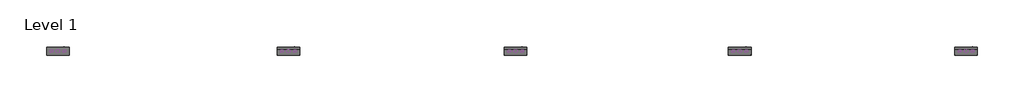
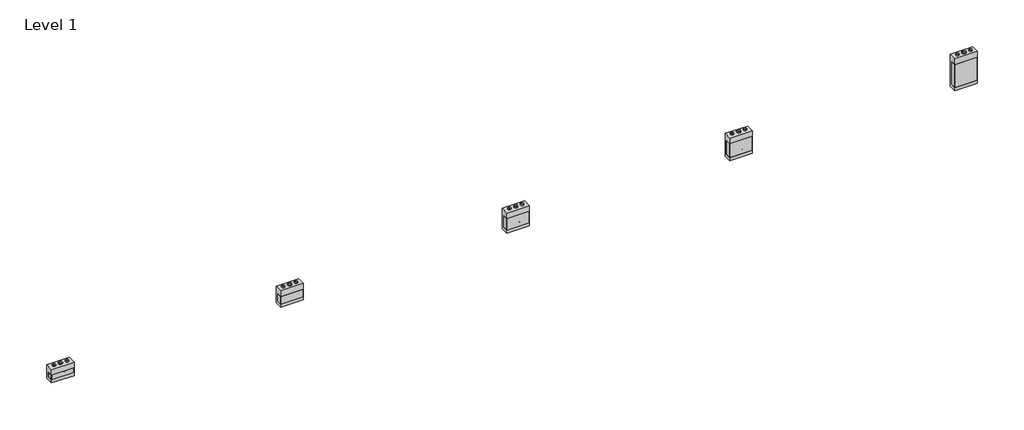
# One storey: 20 proxies.
"""IFC4 building model written with IfcOpenShell, lengths in millimetres."""

import ifcopenshell
import ifcopenshell.guid

model = None  # the IFC model being written
_history = None  # IfcOwnerHistory: only IFC2X3 demands one
_inside = {}  # id of a spatial element -> (the spatial element, [elements in it])
_under = {}  # id of a project, library or spatial element -> (it, [spatial elements below it])
_declared = {}  # id of a project -> (the project, [libraries it declares])
_typed = {}  # id of a type object -> (the type object, [elements of that type])
_made_of = {}  # id of a material, layer set ... -> (it, [elements and type objects made of it])


def new_model(schema):
    """Start an empty IFC model of exactly this schema.

    Asked for "IFC4X3", IfcOpenShell would pick the latest addendum, in which some entities
    have other attributes; the version numbers below select the first issue.
    IFC2X3 requires an IfcOwnerHistory on every rooted entity: one is made here for all.
    """
    global model, _history
    if schema == "IFC4X3":
        model = ifcopenshell.file(schema_version=(4, 3, 0, 0))
    else:
        model = ifcopenshell.file(schema=schema)
    _inside.clear()
    _under.clear()
    _declared.clear()
    _typed.clear()
    _made_of.clear()
    _history = None
    if model.schema == "IFC2X3":
        org = make("IfcOrganization", Name="unknown")
        user = make(
            "IfcPersonAndOrganization",
            ThePerson=make("IfcPerson", FamilyName="unknown"),
            TheOrganization=org,
        )
        app = make(
            "IfcApplication",
            ApplicationDeveloper=org,
            Version="unknown",
            ApplicationFullName="unknown",
            ApplicationIdentifier="unknown",
        )
        _history = make(
            "IfcOwnerHistory",
            OwningUser=user,
            OwningApplication=app,
            ChangeAction="ADDED",
            CreationDate=0,
        )
    return model


def make(cls, **values):
    """One entity of the class cls with the attributes given. An attribute that is None is left unset."""
    return model.create_entity(
        cls, **{name: value for name, value in values.items() if value is not None}
    )


def rooted(cls, **values):
    """An entity with a GlobalId (a new one), such as an element, a storey or a relation."""
    return make(cls, GlobalId=ifcopenshell.guid.new(), OwnerHistory=_history, **values)


def si_unit(unit_type, name, prefix=None):
    """IfcSIUnit, for example si_unit("LENGTHUNIT", "METRE", prefix="MILLI")."""
    return make("IfcSIUnit", UnitType=unit_type, Prefix=prefix, Name=name)


def assignment(units):
    """IfcUnitAssignment: the units of a project."""
    return None if units is None else make("IfcUnitAssignment", Units=units)


def point(xyz):
    """IfcCartesianPoint."""
    return None if xyz is None else make("IfcCartesianPoint", Coordinates=xyz)


def direction(xyz):
    """IfcDirection."""
    return None if xyz is None else make("IfcDirection", DirectionRatios=xyz)


def frame(location, z_axis=None, x_axis=None):
    """IfcAxis2Placement3D, a coordinate frame: its origin and axes. An axis left out is left unset."""
    return make(
        "IfcAxis2Placement3D",
        Location=point(location),
        Axis=direction(z_axis),
        RefDirection=direction(x_axis),
    )


def frame_2d(location, x_axis=None):
    """IfcAxis2Placement2D, a coordinate frame in the plane: its origin and x axis."""
    return make(
        "IfcAxis2Placement2D", Location=point(location), RefDirection=direction(x_axis)
    )


def origin():
    """The frame at (0, 0, 0) with its axes left unset."""
    return frame((0.0, 0.0, 0.0))


def origin_with_axes():
    """The frame at (0, 0, 0) with the z axis (0, 0, 1) and the x axis (1, 0, 0) written out."""
    return frame((0.0, 0.0, 0.0), z_axis=(0.0, 0.0, 1.0), x_axis=(1.0, 0.0, 0.0))


def origin_2d():
    """The frame at (0, 0) in the plane with its x axis left unset."""
    return frame_2d((0.0, 0.0))


def place(relative_to, where):
    """IfcLocalPlacement: puts the frame where relative to a parent placement (None: the world)."""
    return make(
        "IfcLocalPlacement", PlacementRelTo=relative_to, RelativePlacement=where
    )


def context(
    kind, dimensions, precision=None, world=None, true_north=None, identifier=None
):
    """IfcGeometricRepresentationContext, for example the 3D "Model" context."""
    return make(
        "IfcGeometricRepresentationContext",
        ContextIdentifier=identifier,
        ContextType=kind,
        CoordinateSpaceDimension=dimensions,
        Precision=precision,
        WorldCoordinateSystem=world,
        TrueNorth=true_north,
    )


def project(units=None, contexts=None):
    """IfcProject with its units and contexts."""
    return rooted(
        "IfcProject",
        Name="project",
        RepresentationContexts=contexts,
        UnitsInContext=assignment(units),
    )


def spatial(cls, under=None, at=None, **own):
    """A site, building, storey or space (cls), placed at a placement, below another one or the project."""
    s = rooted(cls, ObjectPlacement=at, **own)
    if under is not None:
        _under.setdefault(under.id(), (under, []))[1].append(s)
    return s


def polyline(points):
    """IfcPolyline through the points."""
    return make("IfcPolyline", Points=[point(p) for p in points])


def circle_curve(where, radius):
    """IfcCircle in the frame where."""
    return make("IfcCircle", Position=where, Radius=radius)


def trimmed(basis, trim1, trim2, sense, master):
    """IfcTrimmedCurve: the piece of a basis curve between two trims."""
    return make(
        "IfcTrimmedCurve",
        BasisCurve=basis,
        Trim1=trim1,
        Trim2=trim2,
        SenseAgreement=sense,
        MasterRepresentation=master,
    )


def segment(curve, same_sense, transition):
    """IfcCompositeCurveSegment."""
    return make(
        "IfcCompositeCurveSegment",
        Transition=transition,
        SameSense=same_sense,
        ParentCurve=curve,
    )


def composite_curve(segments, self_intersect=None):
    """IfcCompositeCurve: segments joined end to end."""
    return make("IfcCompositeCurve", Segments=segments, SelfIntersect=self_intersect)


def outline(outer, holes=None, kind="AREA"):
    """IfcArbitraryClosedProfileDef: a profile drawn as a closed curve; with holes, ...WithVoids."""
    if holes is None:
        return make("IfcArbitraryClosedProfileDef", ProfileType=kind, OuterCurve=outer)
    return make(
        "IfcArbitraryProfileDefWithVoids",
        ProfileType=kind,
        OuterCurve=outer,
        InnerCurves=holes,
    )


def extrude(swept, where, along, depth):
    """IfcExtrudedAreaSolid: the profile swept, set in the frame where, extruded along a direction by depth."""
    return make(
        "IfcExtrudedAreaSolid",
        SweptArea=swept,
        Position=where,
        ExtrudedDirection=direction(along),
        Depth=depth,
    )


def shape(context_of_items, identifier, shape_type, items):
    """IfcShapeRepresentation: the items that make up one representation, for example the "Body"."""
    return make(
        "IfcShapeRepresentation",
        ContextOfItems=context_of_items,
        RepresentationIdentifier=identifier,
        RepresentationType=shape_type,
        Items=items,
    )


def source(mapping_origin, context_of_items, identifier, shape_type, items):
    """IfcRepresentationMap: a shape defined once, which mapped items show again and again."""
    return make(
        "IfcRepresentationMap",
        MappingOrigin=mapping_origin,
        MappedRepresentation=shape(context_of_items, identifier, shape_type, items),
    )


def transform(
    local_origin,
    x_axis=None,
    y_axis=None,
    z_axis=None,
    scale=None,
    scale2=None,
    scale3=None,
    uniform=True,
):
    """IfcCartesianTransformationOperator3D, or its non-uniform kind. x_axis, y_axis, z_axis: its Axis1, 2, 3."""
    if uniform:
        return make(
            "IfcCartesianTransformationOperator3D",
            Axis1=direction(x_axis),
            Axis2=direction(y_axis),
            LocalOrigin=point(local_origin),
            Scale=scale,
            Axis3=direction(z_axis),
        )
    return make(
        "IfcCartesianTransformationOperator3DnonUniform",
        Axis1=direction(x_axis),
        Axis2=direction(y_axis),
        LocalOrigin=point(local_origin),
        Scale=scale,
        Axis3=direction(z_axis),
        Scale2=scale2,
        Scale3=scale3,
    )


def mapped(mapping_source, mapping_target):
    """IfcMappedItem: shows the shape of a source again, moved by a transform."""
    return make(
        "IfcMappedItem", MappingSource=mapping_source, MappingTarget=mapping_target
    )


def made_of(thing, what):
    """Note that an element or type object is made of a material, layer set ...; save() writes the relation."""
    if what is not None:
        _made_of.setdefault(what.id(), (what, []))[1].append(thing)
    return thing


def element(
    cls,
    number,
    at=None,
    inside=None,
    cuts=None,
    type_object=None,
    material=None,
    context=None,
    identifier="Body",
    shape_type=None,
    held_by="IfcProductDefinitionShape",
    body=None,
    shapes=None,
    **own,
):
    """One element of the class cls, such as IfcWall. Its Tag is "e" and its number.

    at: its placement. inside: the storey or other place that contains it. cuts: it is an
    opening in that element (IfcRelVoidsElement). A single representation is given by context,
    identifier, shape_type and body (its items); several are given by shapes. held_by: the class
    of the entity that holds the representations. save() writes the other relations.
    """
    e = rooted(cls, Tag="e%d" % number, ObjectPlacement=at, **own)
    if body is not None:
        shapes = [shape(context, identifier, shape_type, body)]
    if shapes is not None:
        e.Representation = make(held_by, Representations=shapes)
    if inside is not None:
        _inside.setdefault(inside.id(), (inside, []))[1].append(e)
    if cuts is not None:
        rooted(
            "IfcRelVoidsElement", RelatingBuildingElement=cuts, RelatedOpeningElement=e
        )
    if type_object is not None:
        _typed.setdefault(type_object.id(), (type_object, []))[1].append(e)
    return made_of(e, material)


def aggregate(whole, parts):
    """IfcRelAggregates: a whole, such as a stair, and the parts it consists of."""
    return rooted("IfcRelAggregates", RelatingObject=whole, RelatedObjects=parts)


def save(model, path):
    """Write the relations noted so far, then the file.

    IfcRelAggregates (storeys below a building ...), IfcRelContainedInSpatialStructure (elements
    in a storey), IfcRelDefinesByType, IfcRelAssociatesMaterial and IfcRelDeclares: one each for
    every whole, place, type object, material and project.
    """
    for whole, parts in _under.values():
        aggregate(whole, parts)
    for where, things in _inside.values():
        rooted(
            "IfcRelContainedInSpatialStructure",
            RelatedElements=things,
            RelatingStructure=where,
        )
    for kind, things in _typed.values():
        rooted("IfcRelDefinesByType", RelatedObjects=things, RelatingType=kind)
    for what, things in _made_of.values():
        rooted("IfcRelAssociatesMaterial", RelatedObjects=things, RelatingMaterial=what)
    for by, libraries in _declared.values():
        rooted("IfcRelDeclares", RelatingContext=by, RelatedDefinitions=libraries)
    model.write(path)


def as_specified_40736e9b(model_context):
    return source(origin(), model_context, "Body", "SweptSolid", [
        extrude(outline(composite_curve([segment(trimmed(circle_curve(frame_2d((389.6125, -499.275)), 10.5), [point((389.6125, -509.775))], [point((389.6125, -488.775))], False, "CARTESIAN"), True, "CONTINUOUS"), segment(trimmed(circle_curve(frame_2d((389.6125, -499.275)), 10.5), [point((389.6125, -488.775))], [point((389.6125, -509.775))], False, "CARTESIAN"), True, "CONTINUOUS")], self_intersect=False)), frame((0.0, 0.0, -562.225), z_axis=(0.0, 0.0, 1.0), x_axis=(1.0, 0.0, 0.0)), (0.0, 0.0, 1.0), 32.0),
        extrude(outline(polyline([(-704.05625, -342.9), (-709.6125, -342.9), (-709.6125, 165.1), (-704.05625, 165.1), (-704.05625, -342.9)])), frame((0.0, 0.0, -39.6875), z_axis=(0.0, 0.0, 1.0), x_axis=(1.0, 0.0, 0.0)), (0.0, 0.0, 1.0), 14.2875),
        extrude(outline(polyline([(705.64375, 165.1), (709.6125, 165.1), (709.6125, -342.9), (705.64375, -342.9), (705.64375, 165.1)])), frame((0.0, 0.0, -39.6875), z_axis=(0.0, 0.0, 1.0), x_axis=(1.0, 0.0, 0.0)), (0.0, 0.0, 1.0), 14.2875),
        extrude(outline(polyline([(709.6125, 165.1), (709.6125, -342.9), (-709.6125, -342.9), (-709.6125, 165.1), (709.6125, 165.1)])), frame((0.0, 0.0, -373.0625), z_axis=(0.0, 0.0, 1.0), x_axis=(1.0, 0.0, 0.0)), (0.0, 0.0, 1.0), 347.6625),
        extrude(outline(polyline([(549.275, -25.4), (549.275, -530.225), (-549.275, -530.225), (-549.275, -25.4), (-342.9, -25.4), (-342.9, -373.0625), (165.1, -373.0625), (165.1, -25.4), (549.275, -25.4)])), frame((-709.6125, 0.0, 0.0), z_axis=(1.0, 0.0, 0.0), x_axis=(0.0, 1.0, 0.0)), (0.0, 0.0, 1.0), 1419.225),
    ])


def as_specified_13a3d44e(model_context):
    return source(origin(), model_context, "Body", "SweptSolid", [
        extrude(outline(composite_curve([segment(trimmed(circle_curve(frame_2d((389.6125, -626.275)), 10.5), [point((389.6125, -636.775))], [point((389.6125, -615.775))], False, "CARTESIAN"), True, "CONTINUOUS"), segment(trimmed(circle_curve(frame_2d((389.6125, -626.275)), 10.5), [point((389.6125, -615.775))], [point((389.6125, -636.775))], False, "CARTESIAN"), True, "CONTINUOUS")], self_intersect=False)), frame((0.0, 0.0, -562.225), z_axis=(0.0, 0.0, 1.0), x_axis=(1.0, 0.0, 0.0)), (0.0, 0.0, 1.0), 32.0),
        extrude(outline(polyline([(-704.05625, -469.9), (-709.6125, -469.9), (-709.6125, 292.1), (-704.05625, 292.1), (-704.05625, -469.9)])), frame((0.0, 0.0, -39.6875), z_axis=(0.0, 0.0, 1.0), x_axis=(1.0, 0.0, 0.0)), (0.0, 0.0, 1.0), 14.2875),
        extrude(outline(polyline([(705.64375, 292.1), (709.6125, 292.1), (709.6125, -469.9), (705.64375, -469.9), (705.64375, 292.1)])), frame((0.0, 0.0, -39.6875), z_axis=(0.0, 0.0, 1.0), x_axis=(1.0, 0.0, 0.0)), (0.0, 0.0, 1.0), 14.2875),
        extrude(outline(polyline([(709.6125, 292.1), (709.6125, -469.9), (-709.6125, -469.9), (-709.6125, 292.1), (709.6125, 292.1)])), frame((0.0, 0.0, -373.0625), z_axis=(0.0, 0.0, 1.0), x_axis=(1.0, 0.0, 0.0)), (0.0, 0.0, 1.0), 347.6625),
        extrude(outline(polyline([(676.275, -25.4), (676.275, -530.225), (-676.275, -530.225), (-676.275, -25.4), (-469.9, -25.4), (-469.9, -373.0625), (292.1, -373.0625), (292.1, -25.4), (676.275, -25.4)])), frame((-709.6125, 0.0, 0.0), z_axis=(1.0, 0.0, 0.0), x_axis=(0.0, 1.0, 0.0)), (0.0, 0.0, 1.0), 1419.225),
    ])


def as_specified_48223bcf(model_context):
    return source(origin(), model_context, "Body", "SweptSolid", [
        extrude(outline(composite_curve([segment(trimmed(circle_curve(frame_2d((389.6125, -702.475)), 10.5), [point((389.6125, -712.975))], [point((389.6125, -691.975))], False, "CARTESIAN"), True, "CONTINUOUS"), segment(trimmed(circle_curve(frame_2d((389.6125, -702.475)), 10.5), [point((389.6125, -691.975))], [point((389.6125, -712.975))], False, "CARTESIAN"), True, "CONTINUOUS")], self_intersect=False)), frame((0.0, 0.0, -562.225), z_axis=(0.0, 0.0, 1.0), x_axis=(1.0, 0.0, 0.0)), (0.0, 0.0, 1.0), 32.0),
        extrude(outline(polyline([(-704.05625, -546.1), (-709.6125, -546.1), (-709.6125, 368.3), (-704.05625, 368.3), (-704.05625, -546.1)])), frame((0.0, 0.0, -39.6875), z_axis=(0.0, 0.0, 1.0), x_axis=(1.0, 0.0, 0.0)), (0.0, 0.0, 1.0), 14.2875),
        extrude(outline(polyline([(705.64375, 368.3), (709.6125, 368.3), (709.6125, -546.1), (705.64375, -546.1), (705.64375, 368.3)])), frame((0.0, 0.0, -39.6875), z_axis=(0.0, 0.0, 1.0), x_axis=(1.0, 0.0, 0.0)), (0.0, 0.0, 1.0), 14.2875),
        extrude(outline(polyline([(709.6125, 368.3), (709.6125, -546.1), (-709.6125, -546.1), (-709.6125, 368.3), (709.6125, 368.3)])), frame((0.0, 0.0, -373.0625), z_axis=(0.0, 0.0, 1.0), x_axis=(1.0, 0.0, 0.0)), (0.0, 0.0, 1.0), 347.6625),
        extrude(outline(polyline([(752.475, -25.4), (752.475, -530.225), (-752.475, -530.225), (-752.475, -25.4), (-546.1, -25.4), (-546.1, -373.0625), (368.3, -373.0625), (368.3, -25.4), (752.475, -25.4)])), frame((-709.6125, 0.0, 0.0), z_axis=(1.0, 0.0, 0.0), x_axis=(0.0, 1.0, 0.0)), (0.0, 0.0, 1.0), 1419.225),
    ])


def as_specified_4e8a097e(model_context):
    return source(origin(), model_context, "Body", "SweptSolid", [
        extrude(outline(composite_curve([segment(trimmed(circle_curve(frame_2d((389.6125, -1007.275)), 10.5), [point((389.6125, -1017.775))], [point((389.6125, -996.775))], False, "CARTESIAN"), True, "CONTINUOUS"), segment(trimmed(circle_curve(frame_2d((389.6125, -1007.275)), 10.5), [point((389.6125, -996.775))], [point((389.6125, -1017.775))], False, "CARTESIAN"), True, "CONTINUOUS")], self_intersect=False)), frame((0.0, 0.0, -562.225), z_axis=(0.0, 0.0, 1.0), x_axis=(1.0, 0.0, 0.0)), (0.0, 0.0, 1.0), 32.0),
        extrude(outline(polyline([(-704.05625, -850.9), (-709.6125, -850.9), (-709.6125, 673.1), (-704.05625, 673.1), (-704.05625, -850.9)])), frame((0.0, 0.0, -39.6875), z_axis=(0.0, 0.0, 1.0), x_axis=(1.0, 0.0, 0.0)), (0.0, 0.0, 1.0), 14.2875),
        extrude(outline(polyline([(705.64375, 673.1), (709.6125, 673.1), (709.6125, -850.9), (705.64375, -850.9), (705.64375, 673.1)])), frame((0.0, 0.0, -39.6875), z_axis=(0.0, 0.0, 1.0), x_axis=(1.0, 0.0, 0.0)), (0.0, 0.0, 1.0), 14.2875),
        extrude(outline(polyline([(709.6125, 673.1), (709.6125, -850.9), (-709.6125, -850.9), (-709.6125, 673.1), (709.6125, 673.1)])), frame((0.0, 0.0, -373.0625), z_axis=(0.0, 0.0, 1.0), x_axis=(1.0, 0.0, 0.0)), (0.0, 0.0, 1.0), 347.6625),
        extrude(outline(polyline([(1057.275, -25.4), (1057.275, -530.225), (-1057.275, -530.225), (-1057.275, -25.4), (-850.9, -25.4), (-850.9, -373.0625), (673.1, -373.0625), (673.1, -25.4), (1057.275, -25.4)])), frame((-709.6125, 0.0, 0.0), z_axis=(1.0, 0.0, 0.0), x_axis=(0.0, 1.0, 0.0)), (0.0, 0.0, 1.0), 1419.225),
    ])


def as_specified_0a82b285(model_context):
    return source(origin(), model_context, "Body", "SweptSolid", [
        extrude(outline(composite_curve([segment(trimmed(circle_curve(frame_2d((389.6125, -397.675)), 10.5), [point((389.6125, -408.175))], [point((389.6125, -387.175))], False, "CARTESIAN"), True, "CONTINUOUS"), segment(trimmed(circle_curve(frame_2d((389.6125, -397.675)), 10.5), [point((389.6125, -387.175))], [point((389.6125, -408.175))], False, "CARTESIAN"), True, "CONTINUOUS")], self_intersect=False)), frame((0.0, 0.0, -562.225), z_axis=(0.0, 0.0, 1.0), x_axis=(1.0, 0.0, 0.0)), (0.0, 0.0, 1.0), 32.0),
        extrude(outline(polyline([(-704.05625, -241.3), (-709.6125, -241.3), (-709.6125, 63.5), (-704.05625, 63.5), (-704.05625, -241.3)])), frame((0.0, 0.0, -39.6875), z_axis=(0.0, 0.0, 1.0), x_axis=(1.0, 0.0, 0.0)), (0.0, 0.0, 1.0), 14.2875),
        extrude(outline(polyline([(705.64375, 63.5), (709.6125, 63.5), (709.6125, -241.3), (705.64375, -241.3), (705.64375, 63.5)])), frame((0.0, 0.0, -39.6875), z_axis=(0.0, 0.0, 1.0), x_axis=(1.0, 0.0, 0.0)), (0.0, 0.0, 1.0), 14.2875),
        extrude(outline(polyline([(709.6125, 63.5), (709.6125, -241.3), (-709.6125, -241.3), (-709.6125, 63.5), (709.6125, 63.5)])), frame((0.0, 0.0, -373.0625), z_axis=(0.0, 0.0, 1.0), x_axis=(1.0, 0.0, 0.0)), (0.0, 0.0, 1.0), 347.6625),
        extrude(outline(polyline([(447.675, -25.4), (447.675, -530.225), (-447.675, -530.225), (-447.675, -25.4), (-241.3, -25.4), (-241.3, -373.0625), (63.5, -373.0625), (63.5, -25.4), (447.675, -25.4)])), frame((-709.6125, 0.0, 0.0), z_axis=(1.0, 0.0, 0.0), x_axis=(0.0, 1.0, 0.0)), (0.0, 0.0, 1.0), 1419.225),
    ])


def proxy_fb1aceb7(model_context):
    return source(origin(), model_context, "Body", "SweptSolid", [
        extrude(outline(composite_curve([segment(trimmed(circle_curve(origin_2d(), 98.425), [point((-98.425, 0.0))], [point((98.425, 0.0))], False, "CARTESIAN"), True, "CONTINUOUS"), segment(trimmed(circle_curve(origin_2d(), 98.425), [point((98.425, 0.0))], [point((-98.425, 0.0))], False, "CARTESIAN"), True, "CONTINUOUS")], self_intersect=False), holes=[composite_curve([segment(trimmed(circle_curve(origin_2d(), 96.8375), [point((-96.8375, 0.0))], [point((96.8375, 0.0))], True, "CARTESIAN"), True, "CONTINUOUS"), segment(trimmed(circle_curve(origin_2d(), 96.8375), [point((96.8375, 0.0))], [point((-96.8375, 0.0))], True, "CARTESIAN"), True, "CONTINUOUS")], self_intersect=False)]), origin_with_axes(), (0.0, 0.0, 1.0), 76.2),
    ])


def proxy_d8bd2570(model_context):
    return source(origin(), model_context, "Body", "SweptSolid", [
        extrude(outline(composite_curve([segment(trimmed(circle_curve(origin_2d(), 123.825), [point((-123.825, 0.0))], [point((123.825, 0.0))], False, "CARTESIAN"), True, "CONTINUOUS"), segment(trimmed(circle_curve(origin_2d(), 123.825), [point((123.825, 0.0))], [point((-123.825, 0.0))], False, "CARTESIAN"), True, "CONTINUOUS")], self_intersect=False), holes=[composite_curve([segment(trimmed(circle_curve(origin_2d(), 122.2375), [point((-122.2375, 0.0))], [point((122.2375, 0.0))], True, "CARTESIAN"), True, "CONTINUOUS"), segment(trimmed(circle_curve(origin_2d(), 122.2375), [point((122.2375, 0.0))], [point((-122.2375, 0.0))], True, "CARTESIAN"), True, "CONTINUOUS")], self_intersect=False)]), origin_with_axes(), (0.0, 0.0, 1.0), 76.2),
    ])


model = new_model("IFC4")

# Units and contexts
model_context = context("Model", 3, world=origin())
ifc_project = project(units=[si_unit("LENGTHUNIT", "METRE", prefix="MILLI")], contexts=[model_context])

# Site, building, storey
site = spatial("IfcSite", under=ifc_project)
building = spatial("IfcBuilding", under=site)
storey = spatial("IfcBuildingStorey", under=building, Name="Level 1", Elevation=0.0)

# Proxies
placement = place(None, origin())
as_specified_shape = as_specified_40736e9b(model_context)
element("IfcBuildingElementProxy", 1, Name="As Specified", ObjectType="As Specified", at=placement, inside=storey, context=model_context, shape_type="MappedRepresentation", body=[
    mapped(as_specified_shape, transform((565.6597121, 1616.7712992, 1144.6311604), x_axis=(1.0, 0.0, 0.0), y_axis=(0.0, 0.0, 1.0), z_axis=(0.0, -1.0, 0.0))),
])
as_specified_2_shape = as_specified_13a3d44e(model_context)
element("IfcBuildingElementProxy", 2, Name="As Specified", ObjectType="As Specified", at=placement, inside=storey, context=model_context, shape_type="MappedRepresentation", body=[
    mapped(as_specified_2_shape, transform((14791.2574402, 1616.7712992, 1219.2), x_axis=(1.0, 0.0, 0.0), y_axis=(0.0, 0.0, 1.0), z_axis=(0.0, -1.0, 0.0))),
])
as_specified_3_shape = as_specified_48223bcf(model_context)
element("IfcBuildingElementProxy", 3, Name="As Specified", ObjectType="As Specified", at=placement, inside=storey, context=model_context, shape_type="MappedRepresentation", body=[
    mapped(as_specified_3_shape, transform((28812.0574402, 1616.7712992, 1219.2), x_axis=(1.0, 0.0, 0.0), y_axis=(0.0, 0.0, 1.0), z_axis=(0.0, -1.0, 0.0))),
])
as_specified_4_shape = as_specified_4e8a097e(model_context)
element("IfcBuildingElementProxy", 4, Name="As Specified", ObjectType="As Specified", at=placement, inside=storey, context=model_context, shape_type="MappedRepresentation", body=[
    mapped(as_specified_4_shape, transform((42985.2574402, 1616.7712992, 1219.2), x_axis=(1.0, 0.0, 0.0), y_axis=(0.0, 0.0, 1.0), z_axis=(0.0, -1.0, 0.0))),
])
as_specified_5_shape = as_specified_0a82b285(model_context)
element("IfcBuildingElementProxy", 5, Name="As Specified", ObjectType="As Specified", at=placement, inside=storey, context=model_context, shape_type="MappedRepresentation", body=[
    mapped(as_specified_5_shape, transform((-13859.9425598, 1616.7712992, 1066.8), x_axis=(1.0, 0.0, 0.0), y_axis=(0.0, 0.0, 1.0), z_axis=(0.0, -1.0, 0.0))),
])
proxy_shape = proxy_fb1aceb7(model_context)
element("IfcBuildingElementProxy", 6, Name="Duct Dia : 7 3/4\" Dia", ObjectType="Duct Dia : 7 3/4\" Dia", at=placement, inside=storey, context=model_context, shape_type="MappedRepresentation", body=[
    mapped(proxy_shape, transform((-13453.5425598, 1894.5837992, 1514.475), x_axis=(0.0, -1.0, 0.0), y_axis=(1.0, 0.0, 0.0), z_axis=(0.0, 0.0, 1.0))),
])
element("IfcBuildingElementProxy", 7, Name="Duct Dia : 7 3/4\" Dia", ObjectType="Duct Dia : 7 3/4\" Dia", at=placement, inside=storey, context=model_context, shape_type="MappedRepresentation", body=[
    mapped(proxy_shape, transform((-14266.3425598, 1894.5837992, 1514.475), x_axis=(0.0, -1.0, 0.0), y_axis=(1.0, 0.0, 0.0), z_axis=(0.0, 0.0, 1.0))),
])
element("IfcBuildingElementProxy", 8, Name="Duct Dia : 7 3/4\" Dia", ObjectType="Duct Dia : 7 3/4\" Dia", at=placement, inside=storey, context=model_context, shape_type="MappedRepresentation", body=[
    mapped(proxy_shape, transform((972.0597121, 1894.5837992, 1693.9061604), x_axis=(0.0, -1.0, 0.0), y_axis=(1.0, 0.0, 0.0), z_axis=(0.0, 0.0, 1.0))),
])
element("IfcBuildingElementProxy", 9, Name="Duct Dia : 7 3/4\" Dia", ObjectType="Duct Dia : 7 3/4\" Dia", at=placement, inside=storey, context=model_context, shape_type="MappedRepresentation", body=[
    mapped(proxy_shape, transform((159.2597121, 1894.5837992, 1693.9061604), x_axis=(0.0, -1.0, 0.0), y_axis=(1.0, 0.0, 0.0), z_axis=(0.0, 0.0, 1.0))),
])
element("IfcBuildingElementProxy", 10, Name="Duct Dia : 7 3/4\" Dia", ObjectType="Duct Dia : 7 3/4\" Dia", at=placement, inside=storey, context=model_context, shape_type="MappedRepresentation", body=[
    mapped(proxy_shape, transform((15197.6574402, 1894.5837992, 1895.475), x_axis=(0.0, -1.0, 0.0), y_axis=(1.0, 0.0, 0.0), z_axis=(0.0, 0.0, 1.0))),
])
element("IfcBuildingElementProxy", 11, Name="Duct Dia : 7 3/4\" Dia", ObjectType="Duct Dia : 7 3/4\" Dia", at=placement, inside=storey, context=model_context, shape_type="MappedRepresentation", body=[
    mapped(proxy_shape, transform((14384.8574402, 1894.5837992, 1895.475), x_axis=(0.0, -1.0, 0.0), y_axis=(1.0, 0.0, 0.0), z_axis=(0.0, 0.0, 1.0))),
])
element("IfcBuildingElementProxy", 12, Name="Duct Dia : 7 3/4\" Dia", ObjectType="Duct Dia : 7 3/4\" Dia", at=placement, inside=storey, context=model_context, shape_type="MappedRepresentation", body=[
    mapped(proxy_shape, transform((29218.4574402, 1894.5837992, 1971.675), x_axis=(0.0, -1.0, 0.0), y_axis=(1.0, 0.0, 0.0), z_axis=(0.0, 0.0, 1.0))),
])
element("IfcBuildingElementProxy", 13, Name="Duct Dia : 7 3/4\" Dia", ObjectType="Duct Dia : 7 3/4\" Dia", at=placement, inside=storey, context=model_context, shape_type="MappedRepresentation", body=[
    mapped(proxy_shape, transform((28405.6574402, 1894.5837992, 1971.675), x_axis=(0.0, -1.0, 0.0), y_axis=(1.0, 0.0, 0.0), z_axis=(0.0, 0.0, 1.0))),
])
element("IfcBuildingElementProxy", 14, Name="Duct Dia : 7 3/4\" Dia", ObjectType="Duct Dia : 7 3/4\" Dia", at=placement, inside=storey, context=model_context, shape_type="MappedRepresentation", body=[
    mapped(proxy_shape, transform((43391.6574402, 1894.5837992, 2276.475), x_axis=(0.0, -1.0, 0.0), y_axis=(1.0, 0.0, 0.0), z_axis=(0.0, 0.0, 1.0))),
])
element("IfcBuildingElementProxy", 15, Name="Duct Dia : 7 3/4\" Dia", ObjectType="Duct Dia : 7 3/4\" Dia", at=placement, inside=storey, context=model_context, shape_type="MappedRepresentation", body=[
    mapped(proxy_shape, transform((42578.8574402, 1894.5837992, 2276.475), x_axis=(0.0, -1.0, 0.0), y_axis=(1.0, 0.0, 0.0), z_axis=(0.0, 0.0, 1.0))),
])
proxy_2_shape = proxy_d8bd2570(model_context)
element("IfcBuildingElementProxy", 16, Name="Duct Dia : 9 3/4\" Dia.", ObjectType="Duct Dia : 9 3/4\" Dia.", at=placement, inside=storey, context=model_context, shape_type="MappedRepresentation", body=[
    mapped(proxy_2_shape, transform((-13859.9425598, 1894.5837992, 1514.475), x_axis=(0.0, -1.0, 0.0), y_axis=(1.0, 0.0, 0.0), z_axis=(0.0, 0.0, 1.0))),
])
element("IfcBuildingElementProxy", 17, Name="Duct Dia : 9 3/4\" Dia.", ObjectType="Duct Dia : 9 3/4\" Dia.", at=placement, inside=storey, context=model_context, shape_type="MappedRepresentation", body=[
    mapped(proxy_2_shape, transform((565.6597121, 1894.5837992, 1693.9061604), x_axis=(0.0, -1.0, 0.0), y_axis=(1.0, 0.0, 0.0), z_axis=(0.0, 0.0, 1.0))),
])
element("IfcBuildingElementProxy", 18, Name="Duct Dia : 9 3/4\" Dia.", ObjectType="Duct Dia : 9 3/4\" Dia.", at=placement, inside=storey, context=model_context, shape_type="MappedRepresentation", body=[
    mapped(proxy_2_shape, transform((14791.2574402, 1894.5837992, 1895.475), x_axis=(0.0, -1.0, 0.0), y_axis=(1.0, 0.0, 0.0), z_axis=(0.0, 0.0, 1.0))),
])
element("IfcBuildingElementProxy", 19, Name="Duct Dia : 9 3/4\" Dia.", ObjectType="Duct Dia : 9 3/4\" Dia.", at=placement, inside=storey, context=model_context, shape_type="MappedRepresentation", body=[
    mapped(proxy_2_shape, transform((28812.0574402, 1894.5837992, 1971.675), x_axis=(0.0, -1.0, 0.0), y_axis=(1.0, 0.0, 0.0), z_axis=(0.0, 0.0, 1.0))),
])
element("IfcBuildingElementProxy", 20, Name="Duct Dia : 9 3/4\" Dia.", ObjectType="Duct Dia : 9 3/4\" Dia.", at=placement, inside=storey, context=model_context, shape_type="MappedRepresentation", body=[
    mapped(proxy_2_shape, transform((42985.2574402, 1894.5837992, 2276.475), x_axis=(0.0, -1.0, 0.0), y_axis=(1.0, 0.0, 0.0), z_axis=(0.0, 0.0, 1.0))),
])

save(model, "model.ifc")
